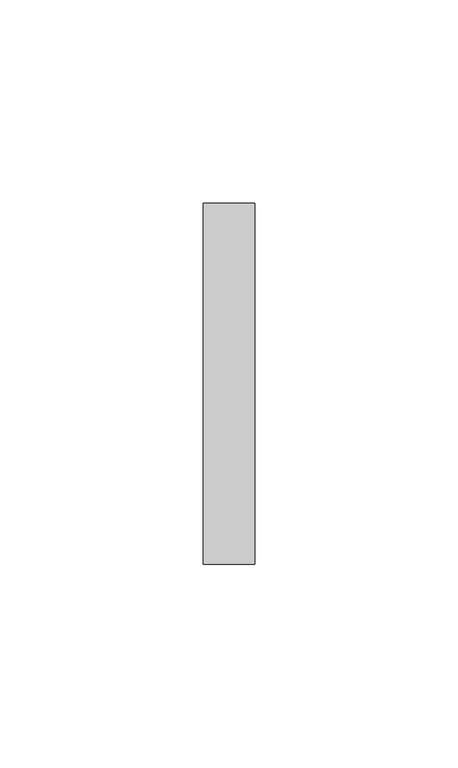
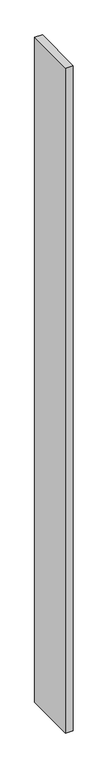
"""IFC4 building model written with IfcOpenShell, lengths in millimetres: furniture geometry."""

from ifc_helpers import new_model, si_unit, frame, origin, place, context, project, spatial, polyline, outline, extrude, source, transform, mapped, element, save


def furniture_d3c9e0a4(model_context):
    return source(origin(), model_context, "Body", "SweptSolid", [
        extrude(outline(polyline([(7.3293982, 38.6537944), (7.3293982, -50.2462056), (-5.3706018, -50.2462056), (-5.3706018, 38.6537944), (7.3293982, 38.6537944)])), frame((0.0, 0.0, 9.525), z_axis=(0.0, 0.0, 1.0), x_axis=(1.0, 0.0, 0.0)), (0.0, 0.0, 1.0), 1171.575),
    ])


if __name__ == "__main__":
    model = new_model("IFC4")
    model_context = context("Model", 3, world=origin())
    ifc_project = project(units=[si_unit("LENGTHUNIT", "METRE", prefix="MILLI")], contexts=[model_context])
    site = spatial("IfcSite", under=ifc_project)
    building = spatial("IfcBuilding", under=site)
    placement = place(None, origin())
    furniture_shape = furniture_d3c9e0a4(model_context)
    element("IfcFurniture", 1, at=placement, inside=building, context=model_context, shape_type="MappedRepresentation", body=[
        mapped(furniture_shape, transform((0.0, 0.0, 0.0), x_axis=(1.0, 0.0, 0.0), y_axis=(0.0, 1.0, 0.0), z_axis=(0.0, 0.0, 1.0))),
    ])
    save(model, "model.ifc")
